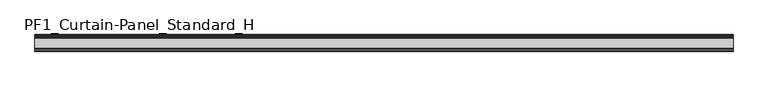
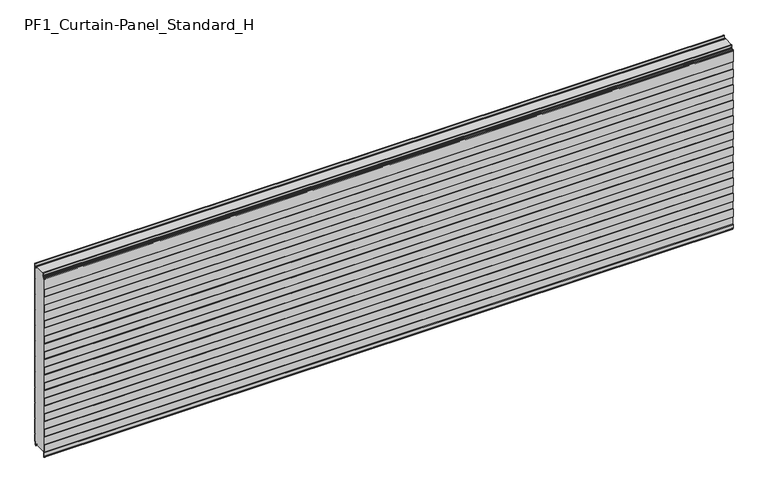
"""IFC4 building model written with IfcOpenShell, lengths in millimetres: plate geometry, PF1_Curtain-Panel_Standard_H."""

from ifc_helpers import new_model, si_unit, point, frame, frame_2d, origin, place, context, project, spatial, polyline, circle_curve, trimmed, segment, composite_curve, outline, extrude, source, transform, mapped, element, save


def pf1_curtain_panel_standard_h_c4fe0f7b(model_context):
    return source(origin(), model_context, "Body", "SweptSolid", [
        extrude(outline(composite_curve([segment(polyline([(-15.878557, 0.0), (-20.0, 0.0), (-20.0, 0.8), (-15.878557, 0.8)]), True, "CONTINUOUS"), segment(trimmed(circle_curve(frame_2d((-15.878557, -2.0)), 2.8), [point((-15.878557, 0.8))], [point((-13.1503208, -1.370137))], False, "CARTESIAN"), True, "CONTINUOUS"), segment(polyline([(-13.1503208, -1.370137), (-11.728236, -7.529863)]), True, "CONTINUOUS"), segment(trimmed(circle_curve(frame_2d((-9.0, -6.9)), 2.8), [point((-11.728236, -7.529863))], [point((-6.2, -6.9))], True, "CARTESIAN"), True, "CONTINUOUS"), segment(polyline([(-6.2, -6.9), (-6.2, 8.6)]), True, "CONTINUOUS"), segment(trimmed(circle_curve(frame_2d((-3.4, 8.6)), 2.8), [point((-6.2, 8.6))], [point((-3.4, 11.4))], False, "CARTESIAN"), True, "CONTINUOUS"), segment(polyline([(-3.4, 11.4), (-2.0, 11.4)]), True, "CONTINUOUS"), segment(trimmed(circle_curve(frame_2d((-2.0, 12.6)), 1.2), [point((-2.0, 11.4))], [point((-0.8, 12.6))], True, "CARTESIAN"), True, "CONTINUOUS"), segment(polyline([(-0.8, 12.6), (-0.8, 57.6856412), (-2.482606, 60.6), (-0.8, 63.5143588), (-0.8, 157.6856412), (-2.482606, 160.6), (-0.8, 163.5143588), (-0.8, 257.6856412), (-2.482606, 260.6), (-0.8, 263.5143588), (-0.8, 357.6856412), (-2.482606, 360.6), (-0.8, 363.5143588), (-0.8, 457.6856412), (-2.482606, 460.6), (-0.8, 463.5143588), (-0.8, 557.6856412), (-2.482606, 560.6), (-0.8, 563.5143588), (-0.8, 657.6856412), (-2.482606, 660.6), (-0.8, 663.5143588), (-0.8, 757.6856412), (-2.482606, 760.6), (-0.8, 763.5143588), (-0.8, 857.6856412), (-2.482606, 860.6), (-0.8, 863.5143588), (-0.8, 957.6856412), (-2.482606, 960.6), (-0.8, 963.5143588), (-0.8, 1057.6856412), (-2.482606, 1060.6), (-0.8, 1063.5143588), (-0.8, 1158.268846)]), True, "CONTINUOUS"), segment(trimmed(circle_curve(frame_2d((-2.5, 1158.268846)), 1.7), [point((-0.8, 1158.268846))], [point((-4.2, 1158.268846))], True, "CARTESIAN"), True, "CONTINUOUS"), segment(polyline([(-4.2, 1158.268846), (-4.2, 1141.268846)]), True, "CONTINUOUS"), segment(trimmed(circle_curve(frame_2d((-9.0, 1141.268846)), 4.8), [point((-4.2, 1141.268846))], [point((-13.7270771, 1140.4353344))], False, "CARTESIAN"), True, "CONTINUOUS"), segment(polyline([(-13.7270771, 1140.4353344), (-14.8636953, 1146.8814129)]), True, "CONTINUOUS"), segment(trimmed(circle_curve(frame_2d((-16.6363492, 1146.568846)), 1.8), [point((-14.8636953, 1146.8814129))], [point((-16.6363492, 1148.368846))], True, "CARTESIAN"), True, "CONTINUOUS"), segment(polyline([(-16.6363492, 1148.368846), (-20.0, 1148.368846), (-20.0, 1149.168846), (-16.6363492, 1149.168846)]), True, "CONTINUOUS"), segment(trimmed(circle_curve(frame_2d((-16.6363492, 1146.568846)), 2.6), [point((-16.6363492, 1149.168846))], [point((-14.0758491, 1147.0203315))], False, "CARTESIAN"), True, "CONTINUOUS"), segment(polyline([(-14.0758491, 1147.0203315), (-12.939231, 1140.574253)]), True, "CONTINUOUS"), segment(trimmed(circle_curve(frame_2d((-9.0, 1141.268846)), 4.0), [point((-12.939231, 1140.574253))], [point((-5.0, 1141.268846))], True, "CARTESIAN"), True, "CONTINUOUS"), segment(polyline([(-5.0, 1141.268846), (-5.0, 1158.268846)]), True, "CONTINUOUS"), segment(trimmed(circle_curve(frame_2d((-2.5, 1158.268846)), 2.5), [point((-5.0, 1158.268846))], [point((0.0, 1158.268846))], False, "CARTESIAN"), True, "CONTINUOUS"), segment(polyline([(0.0, 1158.268846), (0.0, 1063.2999995), (-1.5588455, 1060.6), (0.0, 1057.9000005), (0.0, 963.2999995), (-1.5588455, 960.6), (0.0, 957.9000005), (0.0, 863.2999995), (-1.5588455, 860.6), (0.0, 857.9000005), (0.0, 763.2999995), (-1.5588455, 760.6), (0.0, 757.9000005), (0.0, 663.2999995), (-1.5588455, 660.6), (0.0, 657.9000005), (0.0, 563.2999995), (-1.5588455, 560.6), (0.0, 557.9000005), (0.0, 463.2999995), (-1.5588455, 460.6), (0.0, 457.9000005), (0.0, 363.2999995), (-1.5588455, 360.6), (0.0, 357.9000005), (0.0, 263.2999995), (-1.5588455, 260.6), (0.0, 257.9000005), (0.0, 163.2999995), (-1.5588455, 160.6), (0.0, 157.9000005), (0.0, 63.2999995), (-1.5588455, 60.6), (0.0, 57.9000005), (0.0, 12.6)]), True, "CONTINUOUS"), segment(trimmed(circle_curve(frame_2d((-2.0, 12.6)), 2.0), [point((0.0, 12.6))], [point((-2.0, 10.6))], False, "CARTESIAN"), True, "CONTINUOUS"), segment(polyline([(-2.0, 10.6), (-3.4, 10.6)]), True, "CONTINUOUS"), segment(trimmed(circle_curve(frame_2d((-3.4, 8.6)), 2.0), [point((-3.4, 10.6))], [point((-5.4, 8.6))], True, "CARTESIAN"), True, "CONTINUOUS"), segment(polyline([(-5.4, 8.6), (-5.4, -6.9)]), True, "CONTINUOUS"), segment(trimmed(circle_curve(frame_2d((-9.0, -6.9)), 3.6), [point((-5.4, -6.9))], [point((-12.5077322, -7.7098239))], False, "CARTESIAN"), True, "CONTINUOUS"), segment(polyline([(-12.5077322, -7.7098239), (-13.929817, -1.5500979)]), True, "CONTINUOUS"), segment(trimmed(circle_curve(frame_2d((-15.878557, -2.0)), 2.0), [point((-13.929817, -1.5500979))], [point((-15.878557, 0.0))], True, "CARTESIAN"), True, "CONTINUOUS")], self_intersect=False)), frame((-2100.0, 0.0, 0.0), z_axis=(1.0, 0.0, 0.0), x_axis=(0.0, 1.0, 0.0)), (0.0, 0.0, 1.0), 4200.0),
        extrude(outline(composite_curve([segment(polyline([(-90.0, 0.0), (-93.5, 0.0)]), True, "CONTINUOUS"), segment(trimmed(circle_curve(frame_2d((-93.5, -2.0)), 2.0), [point((-93.5, 0.0))], [point((-95.5, -2.0))], True, "CARTESIAN"), True, "CONTINUOUS"), segment(polyline([(-95.5, -2.0), (-95.5, -33.0)]), True, "CONTINUOUS"), segment(trimmed(circle_curve(frame_2d((-96.5, -33.0)), 1.0), [point((-95.5, -33.0))], [point((-97.5, -33.0))], False, "CARTESIAN"), True, "CONTINUOUS"), segment(polyline([(-97.5, -33.0), (-97.5, -26.9)]), True, "CONTINUOUS"), segment(trimmed(circle_curve(frame_2d((-98.4, -26.9)), 0.9), [point((-97.5, -26.9))], [point((-98.4, -26.0))], True, "CARTESIAN"), True, "CONTINUOUS"), segment(trimmed(circle_curve(frame_2d((-98.4, -24.4)), 1.6), [point((-98.4, -26.0))], [point((-100.0, -24.4))], False, "CARTESIAN"), True, "CONTINUOUS"), segment(polyline([(-100.0, -24.4), (-100.0, -0.9952559), (-98.5, 1.6028217), (-98.5, 46.4028193), (-100.0, 49.0008969), (-100.0, 99.0047441), (-98.5, 101.6028217), (-98.5, 146.4028193), (-100.0, 149.0008969), (-100.0, 199.0047441), (-98.5, 201.6028217), (-98.5, 246.4028193), (-100.0, 249.0008969), (-100.0, 299.0047441), (-98.5, 301.6028217), (-98.5, 346.4028193), (-100.0, 349.0008969), (-100.0, 399.0047441), (-98.5, 401.6028217), (-98.5, 446.4028193), (-100.0, 449.0008969), (-100.0, 499.0047441), (-98.5, 501.6028217), (-98.5, 546.4028193), (-100.0, 549.0008969), (-100.0, 599.0047441), (-98.5, 601.6028217), (-98.5, 646.4028193), (-100.0, 649.0008969), (-100.0, 699.0047441), (-98.5, 701.6028217), (-98.5, 746.4028193), (-100.0, 749.0008969), (-100.0, 799.0047441), (-98.5, 801.6028217), (-98.5, 846.4028193), (-100.0, 849.0008969), (-100.0, 899.0047441), (-98.5, 901.6028217), (-98.5, 946.4028193), (-100.0, 949.0008969), (-100.0, 999.0047441), (-98.5, 1001.6028217), (-98.5, 1046.4028193), (-100.0, 1049.0008969), (-100.0, 1123.168846)]), True, "CONTINUOUS"), segment(trimmed(circle_curve(frame_2d((-99.0, 1123.168846)), 1.0), [point((-100.0, 1123.168846))], [point((-98.0, 1123.168846))], False, "CARTESIAN"), True, "CONTINUOUS"), segment(polyline([(-98.0, 1123.168846), (-98.0, 1117.168846)]), True, "CONTINUOUS"), segment(trimmed(circle_curve(frame_2d((-96.5, 1117.168846)), 1.5), [point((-98.0, 1117.168846))], [point((-95.0, 1117.168846))], True, "CARTESIAN"), True, "CONTINUOUS"), segment(polyline([(-95.0, 1117.168846), (-95.0, 1117.9964664)]), True, "CONTINUOUS"), segment(trimmed(circle_curve(frame_2d((-88.8276204, 1117.9964664)), 6.1723796), [point((-95.0, 1117.9964664))], [point((-88.8276204, 1124.168846))], False, "CARTESIAN"), True, "CONTINUOUS"), segment(polyline([(-88.8276204, 1124.168846), (-88.0, 1124.168846)]), True, "CONTINUOUS"), segment(trimmed(circle_curve(frame_2d((-88.0, 1125.168846)), 1.0), [point((-88.0, 1124.168846))], [point((-87.0, 1125.168846))], True, "CARTESIAN"), True, "CONTINUOUS"), segment(polyline([(-87.0, 1125.168846), (-87.0, 1131.6688472), (-85.4999999, 1133.168846), (-87.0, 1134.6688448), (-87.0, 1146.568846)]), True, "CONTINUOUS"), segment(trimmed(circle_curve(frame_2d((-84.4, 1146.568846)), 2.6), [point((-87.0, 1146.568846))], [point((-84.4, 1149.168846))], False, "CARTESIAN"), True, "CONTINUOUS"), segment(polyline([(-84.4, 1149.168846), (-83.0, 1149.168846), (-83.0, 1148.368846), (-84.4, 1148.368846)]), True, "CONTINUOUS"), segment(trimmed(circle_curve(frame_2d((-84.4, 1146.568846)), 1.8), [point((-84.4, 1148.368846))], [point((-86.2, 1146.568846))], True, "CARTESIAN"), True, "CONTINUOUS"), segment(polyline([(-86.2, 1146.568846), (-86.2, 1135.0002158), (-84.3686285, 1133.168846), (-86.2, 1131.3374762), (-86.2, 1125.168846)]), True, "CONTINUOUS"), segment(trimmed(circle_curve(frame_2d((-88.0, 1125.168846)), 1.8), [point((-86.2, 1125.168846))], [point((-88.0, 1123.368846))], False, "CARTESIAN"), True, "CONTINUOUS"), segment(polyline([(-88.0, 1123.368846), (-88.8276204, 1123.368846)]), True, "CONTINUOUS"), segment(trimmed(circle_curve(frame_2d((-88.8276204, 1117.9964664)), 5.3723796), [point((-88.8276204, 1123.368846))], [point((-94.2, 1117.9964664))], True, "CARTESIAN"), True, "CONTINUOUS"), segment(polyline([(-94.2, 1117.9964664), (-94.2, 1117.168846)]), True, "CONTINUOUS"), segment(trimmed(circle_curve(frame_2d((-96.4, 1117.168846)), 2.2), [point((-94.2, 1117.168846))], [point((-98.6, 1117.168846))], False, "CARTESIAN"), True, "CONTINUOUS"), segment(polyline([(-98.6, 1117.168846), (-98.6, 1123.0579973)]), True, "CONTINUOUS"), segment(trimmed(circle_curve(frame_2d((-98.9, 1123.0579973)), 0.3), [point((-98.6, 1123.0579973))], [point((-99.2, 1123.0579973))], True, "CARTESIAN"), True, "CONTINUOUS"), segment(polyline([(-99.2, 1123.0579973), (-99.2, 1049.2152562), (-97.7, 1046.6171786), (-97.7, 1001.3884624), (-99.2, 998.7903848), (-99.2, 949.2152562), (-97.7, 946.6171786), (-97.7, 901.3884624), (-99.2, 898.7903848), (-99.2, 849.2152562), (-97.7, 846.6171786), (-97.7, 801.3884624), (-99.2, 798.7903848), (-99.2, 749.2152562), (-97.7, 746.6171786), (-97.7, 701.3884624), (-99.2, 698.7903848), (-99.2, 649.2152562), (-97.7, 646.6171786), (-97.7, 601.3884624), (-99.2, 598.7903848), (-99.2, 549.2152562), (-97.7, 546.6171786), (-97.7, 501.3884624), (-99.2, 498.7903848), (-99.2, 449.2152562), (-97.7, 446.6171786), (-97.7, 401.3884624), (-99.2, 398.7903848), (-99.2, 349.2152562), (-97.7, 346.6171786), (-97.7, 301.3884624), (-99.2, 298.7903848), (-99.2, 249.2152562), (-97.7, 246.6171786), (-97.7, 201.3884624), (-99.2, 198.7903848), (-99.2, 149.2152562), (-97.7, 146.6171786), (-97.7, 101.3884624), (-99.2, 98.7903848), (-99.2, 49.2152562), (-97.7, 46.6171786), (-97.7, 1.3884624), (-99.2, -1.2096152), (-99.2, -24.4)]), True, "CONTINUOUS"), segment(trimmed(circle_curve(frame_2d((-98.4, -24.4)), 0.8), [point((-99.2, -24.4))], [point((-98.4, -25.2))], True, "CARTESIAN"), True, "CONTINUOUS"), segment(trimmed(circle_curve(frame_2d((-98.6133333, -26.9)), 1.7133333), [point((-98.4, -25.2))], [point((-96.9, -26.9))], False, "CARTESIAN"), True, "CONTINUOUS"), segment(polyline([(-96.9, -26.9), (-96.9, -32.8700312)]), True, "CONTINUOUS"), segment(trimmed(circle_curve(frame_2d((-96.6, -32.8700312)), 0.3), [point((-96.9, -32.8700312))], [point((-96.3, -32.8700312))], True, "CARTESIAN"), True, "CONTINUOUS"), segment(polyline([(-96.3, -32.8700312), (-96.3, -2.0)]), True, "CONTINUOUS"), segment(trimmed(circle_curve(frame_2d((-93.5, -2.0)), 2.8), [point((-96.3, -2.0))], [point((-93.5, 0.8))], False, "CARTESIAN"), True, "CONTINUOUS"), segment(polyline([(-93.5, 0.8), (-90.0, 0.8), (-90.0, 0.0)]), True, "CONTINUOUS")], self_intersect=False)), frame((-2100.0, 0.0, 0.0), z_axis=(1.0, 0.0, 0.0), x_axis=(0.0, 1.0, 0.0)), (0.0, 0.0, 1.0), 4200.0),
        extrude(outline(composite_curve([segment(polyline([(-90.0, 0.8), (-93.5, 0.8)]), True, "CONTINUOUS"), segment(trimmed(circle_curve(frame_2d((-93.5, -2.0)), 2.8), [point((-93.5, 0.8))], [point((-96.3, -2.0))], True, "CARTESIAN"), True, "CONTINUOUS"), segment(polyline([(-96.3, -2.0), (-96.3, -32.8700312)]), True, "CONTINUOUS"), segment(trimmed(circle_curve(frame_2d((-96.6, -32.8700312)), 0.3), [point((-96.3, -32.8700312))], [point((-96.9, -32.8700312))], False, "CARTESIAN"), True, "CONTINUOUS"), segment(polyline([(-96.9, -32.8700312), (-96.9, -26.9)]), True, "CONTINUOUS"), segment(trimmed(circle_curve(frame_2d((-98.6133333, -26.9)), 1.7133333), [point((-96.9, -26.9))], [point((-98.4, -25.2))], True, "CARTESIAN"), True, "CONTINUOUS"), segment(trimmed(circle_curve(frame_2d((-98.4, -24.4)), 0.8), [point((-98.4, -25.2))], [point((-99.2, -24.4))], False, "CARTESIAN"), True, "CONTINUOUS"), segment(polyline([(-99.2, -24.4), (-99.2, -1.2096152), (-97.7, 1.3884624), (-97.7, 46.6171786), (-99.2, 49.2152562), (-99.2, 98.7903848), (-97.7, 101.3884624), (-97.7, 146.6171786), (-99.2, 149.2152562), (-99.2, 198.7903848), (-97.7, 201.3884624), (-97.7, 246.6171786), (-99.2, 249.2152562), (-99.2, 298.7903848), (-97.7, 301.3884624), (-97.7, 346.6171786), (-99.2, 349.2152562), (-99.2, 398.7903848), (-97.7, 401.3884624), (-97.7, 446.6171786), (-99.2, 449.2152562), (-99.2, 498.7903848), (-97.7, 501.3884624), (-97.7, 546.6171786), (-99.2, 549.2152562), (-99.2, 598.7903848), (-97.7, 601.3884624), (-97.7, 646.6171786), (-99.2, 649.2152562), (-99.2, 698.7903848), (-97.7, 701.3884624), (-97.7, 746.6171786), (-99.2, 749.2152562), (-99.2, 798.7903848), (-97.7, 801.3884624), (-97.7, 846.6171786), (-99.2, 849.2152562), (-99.2, 898.7903848), (-97.7, 901.3884624), (-97.7, 946.6171786), (-99.2, 949.2152562), (-99.2, 998.7903848), (-97.7, 1001.3884624), (-97.7, 1046.6171786), (-99.2, 1049.2152562), (-99.2, 1123.0579973)]), True, "CONTINUOUS"), segment(trimmed(circle_curve(frame_2d((-98.9, 1123.0579973)), 0.3), [point((-99.2, 1123.0579973))], [point((-98.6, 1123.0579973))], False, "CARTESIAN"), True, "CONTINUOUS"), segment(polyline([(-98.6, 1123.0579973), (-98.6, 1117.168846)]), True, "CONTINUOUS"), segment(trimmed(circle_curve(frame_2d((-96.4, 1117.168846)), 2.2), [point((-98.6, 1117.168846))], [point((-94.2, 1117.168846))], True, "CARTESIAN"), True, "CONTINUOUS"), segment(polyline([(-94.2, 1117.168846), (-94.2, 1117.9964664)]), True, "CONTINUOUS"), segment(trimmed(circle_curve(frame_2d((-88.8276204, 1117.9964664)), 5.3723796), [point((-94.2, 1117.9964664))], [point((-88.8276204, 1123.368846))], False, "CARTESIAN"), True, "CONTINUOUS"), segment(polyline([(-88.8276204, 1123.368846), (-88.0, 1123.368846)]), True, "CONTINUOUS"), segment(trimmed(circle_curve(frame_2d((-88.0, 1125.168846)), 1.8), [point((-88.0, 1123.368846))], [point((-86.2, 1125.168846))], True, "CARTESIAN"), True, "CONTINUOUS"), segment(polyline([(-86.2, 1125.168846), (-86.2, 1131.3374762), (-84.3686285, 1133.168846), (-86.2, 1135.0002158), (-86.2, 1146.568846)]), True, "CONTINUOUS"), segment(trimmed(circle_curve(frame_2d((-84.4, 1146.568846)), 1.8), [point((-86.2, 1146.568846))], [point((-84.4, 1148.368846))], False, "CARTESIAN"), True, "CONTINUOUS"), segment(polyline([(-84.4, 1148.368846), (-83.0, 1148.368846), (-83.0, 1149.168846), (-20.0, 1149.168846), (-20.0, 1148.368846), (-16.6363492, 1148.368846)]), True, "CONTINUOUS"), segment(trimmed(circle_curve(frame_2d((-16.6363492, 1146.568846)), 1.8), [point((-16.6363492, 1148.368846))], [point((-14.8636953, 1146.8814129))], False, "CARTESIAN"), True, "CONTINUOUS"), segment(polyline([(-14.8636953, 1146.8814129), (-13.7270772, 1140.4353344)]), True, "CONTINUOUS"), segment(trimmed(circle_curve(frame_2d((-9.0, 1141.268846)), 4.8), [point((-13.7270772, 1140.4353344))], [point((-4.2, 1141.268846))], True, "CARTESIAN"), True, "CONTINUOUS"), segment(polyline([(-4.2, 1141.268846), (-4.2, 1158.268846)]), True, "CONTINUOUS"), segment(trimmed(circle_curve(frame_2d((-2.5, 1158.268846)), 1.7), [point((-4.2, 1158.268846))], [point((-0.8, 1158.268846))], False, "CARTESIAN"), True, "CONTINUOUS"), segment(polyline([(-0.8, 1158.268846), (-0.8, 1063.5143588), (-2.482606, 1060.6), (-0.8, 1057.6856412), (-0.8, 963.5143588), (-2.482606, 960.6), (-0.8, 957.6856412), (-0.8, 863.5143588), (-2.482606, 860.6), (-0.8, 857.6856412), (-0.8, 763.5143588), (-2.482606, 760.6), (-0.8, 757.6856412), (-0.8, 663.5143588), (-2.482606, 660.6), (-0.8, 657.6856412), (-0.8, 563.5143588), (-2.482606, 560.6), (-0.8, 557.6856412), (-0.8, 463.5143588), (-2.482606, 460.6), (-0.8, 457.6856412), (-0.8, 363.5143588), (-2.482606, 360.6), (-0.8, 357.6856412), (-0.8, 263.5143588), (-2.482606, 260.6), (-0.8, 257.6856412), (-0.8, 163.5143588), (-2.482606, 160.6), (-0.8, 157.6856412), (-0.8, 63.5143588), (-2.482606, 60.6), (-0.8, 57.6856412), (-0.8, 12.6)]), True, "CONTINUOUS"), segment(trimmed(circle_curve(frame_2d((-2.0, 12.6)), 1.2), [point((-0.8, 12.6))], [point((-2.0, 11.4))], False, "CARTESIAN"), True, "CONTINUOUS"), segment(polyline([(-2.0, 11.4), (-3.4, 11.4)]), True, "CONTINUOUS"), segment(trimmed(circle_curve(frame_2d((-3.4, 8.6)), 2.8), [point((-3.4, 11.4))], [point((-6.2, 8.6))], True, "CARTESIAN"), True, "CONTINUOUS"), segment(polyline([(-6.2, 8.6), (-6.2, -6.9)]), True, "CONTINUOUS"), segment(trimmed(circle_curve(frame_2d((-9.0, -6.9)), 2.8), [point((-6.2, -6.9))], [point((-11.7282362, -7.529863))], False, "CARTESIAN"), True, "CONTINUOUS"), segment(polyline([(-11.7282362, -7.529863), (-13.1503208, -1.370137)]), True, "CONTINUOUS"), segment(trimmed(circle_curve(frame_2d((-15.878557, -2.0)), 2.8), [point((-13.1503208, -1.370137))], [point((-15.878557, 0.8))], True, "CARTESIAN"), True, "CONTINUOUS"), segment(polyline([(-15.878557, 0.8), (-20.0, 0.8), (-20.0, 0.0), (-90.0, 0.0), (-90.0, 0.8)]), True, "CONTINUOUS")], self_intersect=False)), frame((-2100.0, 0.0, 0.0), z_axis=(1.0, 0.0, 0.0), x_axis=(0.0, 1.0, 0.0)), (0.0, 0.0, 1.0), 4200.0),
    ])


if __name__ == "__main__":
    model = new_model("IFC4")
    model_context = context("Model", 3, world=origin())
    ifc_project = project(units=[si_unit("LENGTHUNIT", "METRE", prefix="MILLI")], contexts=[model_context])
    site = spatial("IfcSite", under=ifc_project)
    building = spatial("IfcBuilding", under=site)
    placement = place(None, origin())
    pf1_curtain_panel_standard_h_shape = pf1_curtain_panel_standard_h_c4fe0f7b(model_context)
    element("IfcPlate", 1, ObjectType="PF1_Curtain-Panel_Standard_H", at=placement, inside=building, context=model_context, shape_type="MappedRepresentation", body=[
        mapped(pf1_curtain_panel_standard_h_shape, transform((0.0, 0.0, 0.0), x_axis=(1.0, 0.0, 0.0), y_axis=(0.0, 1.0, 0.0), z_axis=(0.0, 0.0, 1.0))),
    ])
    save(model, "model.ifc")
